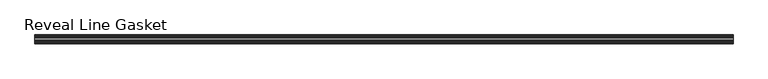
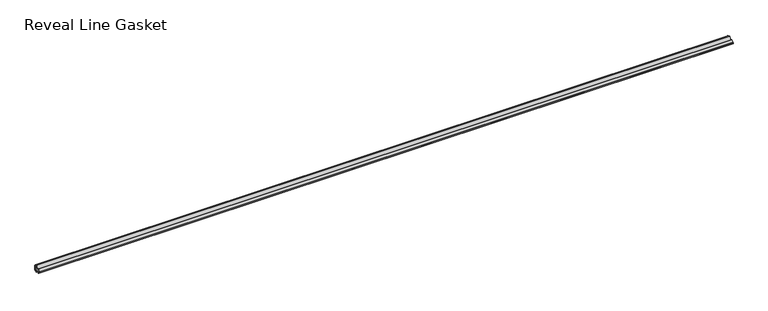
"""IFC4 building model written with IfcOpenShell, lengths in millimetres: furniture geometry, Reveal Line Gasket."""

from ifc_helpers import new_model, si_unit, point, frame, frame_2d, origin, place, context, project, spatial, polyline, circle_curve, trimmed, segment, composite_curve, outline, extrude, source, transform, mapped, element, save


def reveal_line_gasket_ab5276f5(model_context):
    return source(origin(), model_context, "Body", "SweptSolid", [
        extrude(outline(composite_curve([segment(polyline([(7.6326998, 1603.2), (7.6326998, 1597.2), (7.4091917, 1596.2445073), (6.8813059, 1595.3115316)]), True, "CONTINUOUS"), segment(trimmed(circle_curve(frame_2d((6.5243141, 1595.5135207)), 0.4101739), [point((6.8813059, 1595.3115316))], [point((6.1246704, 1595.6058653))], False, "CARTESIAN"), True, "CONTINUOUS"), segment(polyline([(6.1246704, 1595.6058653), (6.3626997, 1597.3020914), (6.3626997, 1599.3345473)]), True, "CONTINUOUS"), segment(trimmed(circle_curve(frame_2d((5.6959605, 1598.9180742)), 0.786124), [point((6.3626997, 1599.3345473))], [point((5.0926996, 1599.422125))], True, "CARTESIAN"), True, "CONTINUOUS"), segment(polyline([(5.0926996, 1599.422125), (0.7492996, 1599.422125), (3.7293824, 1594.2604705)]), True, "CONTINUOUS"), segment(trimmed(circle_curve(frame_2d((3.3132479, 1594.1950239)), 0.4212495), [point((3.7293824, 1594.2604705))], [point((3.0485022, 1593.8673642))], False, "CARTESIAN"), True, "CONTINUOUS"), segment(polyline([(3.0485022, 1593.8673642), (-0.5742594, 1599.422125), (-4.8262978, 1599.422125), (-3.1660374, 1596.5464703)]), True, "CONTINUOUS"), segment(trimmed(circle_curve(frame_2d((-3.5978728, 1596.4881145)), 0.4357605), [point((-3.1660374, 1596.5464703))], [point((-3.864328, 1596.1433119))], False, "CARTESIAN"), True, "CONTINUOUS"), segment(polyline([(-3.864328, 1596.1433119), (-6.1944059, 1599.422125), (-7.6326998, 1599.422125), (-7.6326998, 1600.977875), (-6.1944059, 1600.977875), (-3.864328, 1604.2566881)]), True, "CONTINUOUS"), segment(trimmed(circle_curve(frame_2d((-3.5978728, 1603.9118855)), 0.4357605), [point((-3.864328, 1604.2566881))], [point((-3.1660374, 1603.8535297))], False, "CARTESIAN"), True, "CONTINUOUS"), segment(polyline([(-3.1660374, 1603.8535297), (-4.8262978, 1600.977875), (-0.5742594, 1600.977875), (3.0485022, 1606.5326358)]), True, "CONTINUOUS"), segment(trimmed(circle_curve(frame_2d((3.3132479, 1606.2049761)), 0.4212495), [point((3.0485022, 1606.5326358))], [point((3.7293824, 1606.1395295))], False, "CARTESIAN"), True, "CONTINUOUS"), segment(polyline([(3.7293824, 1606.1395295), (0.7492996, 1600.977875), (5.0926996, 1600.977875)]), True, "CONTINUOUS"), segment(trimmed(circle_curve(frame_2d((5.6959605, 1601.4819258)), 0.786124), [point((5.0926996, 1600.977875))], [point((6.3626997, 1601.0654527))], True, "CARTESIAN"), True, "CONTINUOUS"), segment(polyline([(6.3626997, 1601.0654527), (6.3626997, 1603.0979086), (6.1246704, 1604.7941347)]), True, "CONTINUOUS"), segment(trimmed(circle_curve(frame_2d((6.5243141, 1604.8864793)), 0.4101739), [point((6.1246704, 1604.7941347))], [point((6.8813059, 1605.0884684))], False, "CARTESIAN"), True, "CONTINUOUS"), segment(polyline([(6.8813059, 1605.0884684), (7.4091917, 1604.1554927), (7.6326998, 1603.2)]), True, "CONTINUOUS")], self_intersect=False)), frame((-607.7204, 0.0, 0.0), z_axis=(1.0, 0.0, 0.0), x_axis=(0.0, 1.0, 0.0)), (0.0, 0.0, 1.0), 1215.4408),
    ])


if __name__ == "__main__":
    model = new_model("IFC4")
    model_context = context("Model", 3, world=origin())
    ifc_project = project(units=[si_unit("LENGTHUNIT", "METRE", prefix="MILLI")], contexts=[model_context])
    site = spatial("IfcSite", under=ifc_project)
    building = spatial("IfcBuilding", under=site)
    placement = place(None, origin())
    reveal_line_gasket_shape = reveal_line_gasket_ab5276f5(model_context)
    element("IfcFurniture", 1, ObjectType="Reveal Line Gasket", at=placement, inside=building, context=model_context, shape_type="MappedRepresentation", body=[
        mapped(reveal_line_gasket_shape, transform((0.0, 0.0, 0.0), x_axis=(1.0, 0.0, 0.0), y_axis=(0.0, 1.0, 0.0), z_axis=(0.0, 0.0, 1.0))),
    ])
    save(model, "model.ifc")
